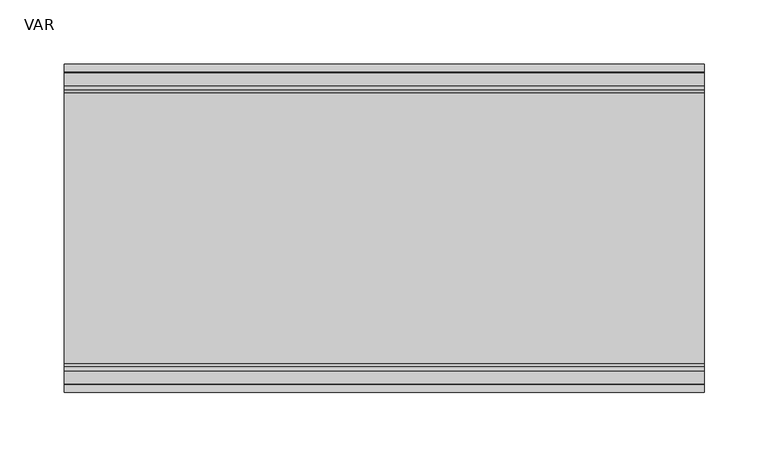
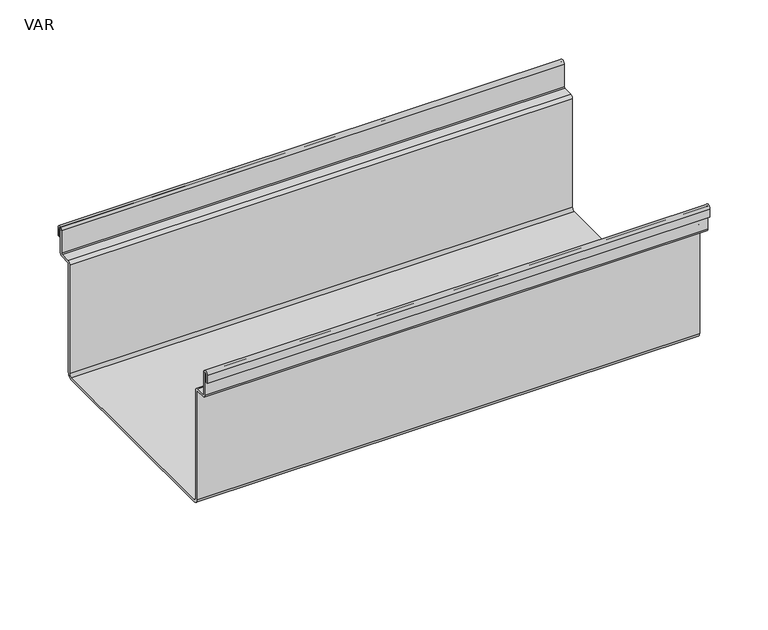
"""IFC4 building model written with IfcOpenShell, lengths in millimetres: sanitary terminal geometry, VAR."""

from ifc_helpers import new_model, si_unit, point, frame, frame_2d, origin, place, context, project, spatial, polyline, circle_curve, trimmed, segment, composite_curve, outline, extrude, source, transform, mapped, element, save


def var_5c4785eb(model_context):
    return source(origin(), model_context, "Body", "SweptSolid", [
        extrude(outline(composite_curve([segment(trimmed(circle_curve(frame_2d((75.0, 0.0)), 25.0), [point((50.0, 0.0))], [point((100.0, 0.0))], False, "CARTESIAN"), True, "CONTINUOUS"), segment(trimmed(circle_curve(frame_2d((75.0, 0.0)), 25.0), [point((100.0, 0.0))], [point((50.0, 0.0))], False, "CARTESIAN"), True, "CONTINUOUS")], self_intersect=False), holes=[composite_curve([segment(trimmed(circle_curve(frame_2d((75.0, 0.0)), 23.9932132), [point((51.0067868, 0.0))], [point((98.9932132, 0.0))], True, "CARTESIAN"), True, "CONTINUOUS"), segment(trimmed(circle_curve(frame_2d((75.0, 0.0)), 23.9932132), [point((98.9932132, 0.0))], [point((51.0067868, 0.0))], True, "CARTESIAN"), True, "CONTINUOUS")], self_intersect=False)]), frame((0.0, 0.0, -210.0), z_axis=(0.0, 0.0, 1.0), x_axis=(1.0, 0.0, 0.0)), (0.0, 0.0, 1.0), 60.0),
        extrude(outline(composite_curve([segment(polyline([(128.5, -12.0), (126.4864263, -12.0), (126.4864263, -3.25)]), True, "CONTINUOUS"), segment(trimmed(circle_curve(frame_2d((125.5, -3.25)), 0.9864263), [point((126.4864263, -3.25))], [point((124.5135737, -3.25))], True, "CARTESIAN"), True, "CONTINUOUS"), segment(polyline([(124.5135737, -3.25), (124.5135737, -27.0)]), True, "CONTINUOUS"), segment(trimmed(circle_curve(frame_2d((121.5, -27.0)), 3.0135737), [point((124.5135737, -27.0))], [point((121.5, -30.0135737))], False, "CARTESIAN"), True, "CONTINUOUS"), segment(polyline([(121.5, -30.0135737), (111.5135737, -30.0135737)]), True, "CONTINUOUS"), segment(trimmed(circle_curve(frame_2d((111.5135737, -31.0)), 0.9864263), [point((111.5135737, -30.0135737))], [point((110.5271474, -31.0))], True, "CARTESIAN"), True, "CONTINUOUS"), segment(polyline([(110.5271474, -31.0), (110.5271474, -144.9864263)]), True, "CONTINUOUS"), segment(trimmed(circle_curve(frame_2d((105.5135737, -144.9864263)), 5.0135737), [point((110.5271474, -144.9864263))], [point((105.5135737, -150.0))], False, "CARTESIAN"), True, "CONTINUOUS"), segment(polyline([(105.5135737, -150.0), (-105.5135737, -150.0)]), True, "CONTINUOUS"), segment(trimmed(circle_curve(frame_2d((-105.5135737, -144.9864263)), 5.0135737), [point((-105.5135737, -150.0))], [point((-110.5271474, -144.9864263))], False, "CARTESIAN"), True, "CONTINUOUS"), segment(polyline([(-110.5271474, -144.9864263), (-110.5271474, -31.0)]), True, "CONTINUOUS"), segment(trimmed(circle_curve(frame_2d((-111.5135737, -31.0)), 0.9864263), [point((-110.5271474, -31.0))], [point((-111.5135737, -30.0135737))], True, "CARTESIAN"), True, "CONTINUOUS"), segment(polyline([(-111.5135737, -30.0135737), (-121.5, -30.0135737)]), True, "CONTINUOUS"), segment(trimmed(circle_curve(frame_2d((-121.5, -27.0)), 3.0135737), [point((-121.5, -30.0135737))], [point((-124.5135737, -27.0))], False, "CARTESIAN"), True, "CONTINUOUS"), segment(polyline([(-124.5135737, -27.0), (-124.5135737, -3.2587939)]), True, "CONTINUOUS"), segment(trimmed(circle_curve(frame_2d((-125.5, -3.2587939)), 0.9864263), [point((-124.5135737, -3.2587939))], [point((-126.4864263, -3.2587939))], True, "CARTESIAN"), True, "CONTINUOUS"), segment(polyline([(-126.4864263, -3.2587939), (-126.4864263, -12.0), (-128.5, -12.0), (-128.5, -3.2587939)]), True, "CONTINUOUS"), segment(trimmed(circle_curve(frame_2d((-125.5, -3.2587939)), 3.0), [point((-128.5, -3.2587939))], [point((-122.5, -3.2587939))], False, "CARTESIAN"), True, "CONTINUOUS"), segment(polyline([(-122.5, -3.2587939), (-122.5, -27.0)]), True, "CONTINUOUS"), segment(trimmed(circle_curve(frame_2d((-121.5, -27.0)), 1.0), [point((-122.5, -27.0))], [point((-121.5, -28.0))], True, "CARTESIAN"), True, "CONTINUOUS"), segment(polyline([(-121.5, -28.0), (-111.5135737, -28.0)]), True, "CONTINUOUS"), segment(trimmed(circle_curve(frame_2d((-111.5135737, -31.0)), 3.0), [point((-111.5135737, -28.0))], [point((-108.5135737, -31.0))], False, "CARTESIAN"), True, "CONTINUOUS"), segment(polyline([(-108.5135737, -31.0), (-108.5135737, -144.9864263)]), True, "CONTINUOUS"), segment(trimmed(circle_curve(frame_2d((-105.5135737, -144.9864263)), 3.0), [point((-108.5135737, -144.9864263))], [point((-105.5135737, -147.9864263))], True, "CARTESIAN"), True, "CONTINUOUS"), segment(polyline([(-105.5135737, -147.9864263), (105.5135737, -147.9864263)]), True, "CONTINUOUS"), segment(trimmed(circle_curve(frame_2d((105.5135737, -144.9864263)), 3.0), [point((105.5135737, -147.9864263))], [point((108.5135737, -144.9864263))], True, "CARTESIAN"), True, "CONTINUOUS"), segment(polyline([(108.5135737, -144.9864263), (108.5135737, -31.0)]), True, "CONTINUOUS"), segment(trimmed(circle_curve(frame_2d((111.5135737, -31.0)), 3.0), [point((108.5135737, -31.0))], [point((111.5135737, -28.0))], False, "CARTESIAN"), True, "CONTINUOUS"), segment(polyline([(111.5135737, -28.0), (121.5, -28.0)]), True, "CONTINUOUS"), segment(trimmed(circle_curve(frame_2d((121.5, -27.0)), 1.0), [point((121.5, -28.0))], [point((122.5, -27.0))], True, "CARTESIAN"), True, "CONTINUOUS"), segment(polyline([(122.5, -27.0), (122.5, -3.25)]), True, "CONTINUOUS"), segment(trimmed(circle_curve(frame_2d((125.5, -3.25)), 3.0), [point((122.5, -3.25))], [point((128.5, -3.25))], False, "CARTESIAN"), True, "CONTINUOUS"), segment(polyline([(128.5, -3.25), (128.5, -12.0)]), True, "CONTINUOUS")], self_intersect=False)), frame((0.0, 0.0, 0.0), z_axis=(1.0, 0.0, 0.0), x_axis=(0.0, 1.0, 0.0)), (0.0, 0.0, 1.0), 500.0),
    ])


if __name__ == "__main__":
    model = new_model("IFC4")
    model_context = context("Model", 3, world=origin())
    ifc_project = project(units=[si_unit("LENGTHUNIT", "METRE", prefix="MILLI")], contexts=[model_context])
    site = spatial("IfcSite", under=ifc_project)
    building = spatial("IfcBuilding", under=site)
    placement = place(None, origin())
    var_shape = var_5c4785eb(model_context)
    element("IfcSanitaryTerminal", 1, ObjectType="VAR", at=placement, inside=building, context=model_context, shape_type="MappedRepresentation", body=[
        mapped(var_shape, transform((0.0, 0.0, 0.0), x_axis=(1.0, 0.0, 0.0), y_axis=(0.0, 1.0, 0.0), z_axis=(0.0, 0.0, 1.0))),
    ])
    save(model, "model.ifc")
